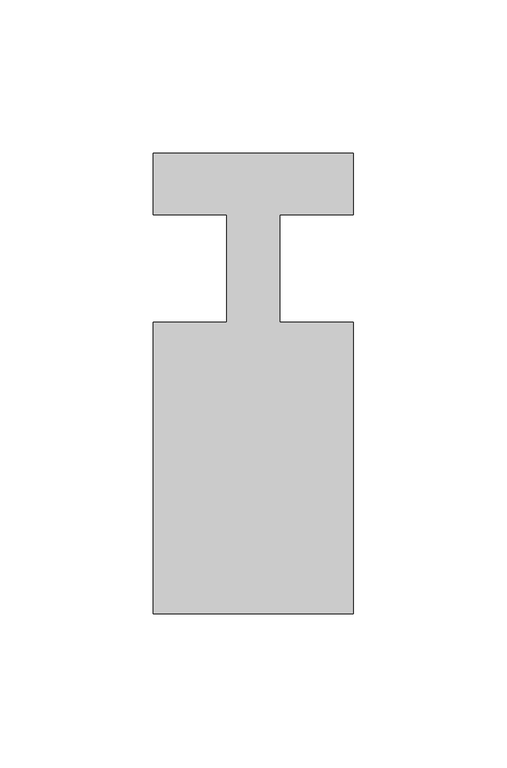
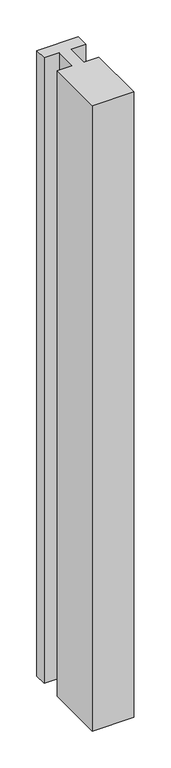
"""IFC4 building model written with IfcOpenShell, lengths in millimetres: member geometry."""

from ifc_helpers import new_model, si_unit, frame, origin, place, context, project, spatial, polyline, outline, extrude, source, transform, mapped, element, save


def member_2cbaba93(model_context):
    return source(origin(), model_context, "Body", "SweptSolid", [
        extrude(outline(polyline([(-65.0, 37.0), (0.0, 37.0), (0.0, 17.0), (-23.8125, 17.0), (-23.8125, -18.0), (0.0, -18.0), (0.0, -113.0), (-65.0, -113.0), (-65.0, -18.0), (-41.1875, -18.0), (-41.1875, 17.0), (-65.0, 17.0), (-65.0, 37.0)])), frame((0.0, 0.0, -1034.8125), z_axis=(0.0, 0.0, 1.0), x_axis=(1.0, 0.0, 0.0)), (0.0, 0.0, 1.0), 1034.8125),
    ])


if __name__ == "__main__":
    model = new_model("IFC4")
    model_context = context("Model", 3, world=origin())
    ifc_project = project(units=[si_unit("LENGTHUNIT", "METRE", prefix="MILLI")], contexts=[model_context])
    site = spatial("IfcSite", under=ifc_project)
    building = spatial("IfcBuilding", under=site)
    placement = place(None, origin())
    member_shape = member_2cbaba93(model_context)
    element("IfcMember", 1, at=placement, inside=building, context=model_context, shape_type="MappedRepresentation", body=[
        mapped(member_shape, transform((0.0, 0.0, 0.0), x_axis=(1.0, 0.0, 0.0), y_axis=(0.0, 1.0, 0.0), z_axis=(0.0, 0.0, 1.0))),
    ])
    save(model, "model.ifc")
